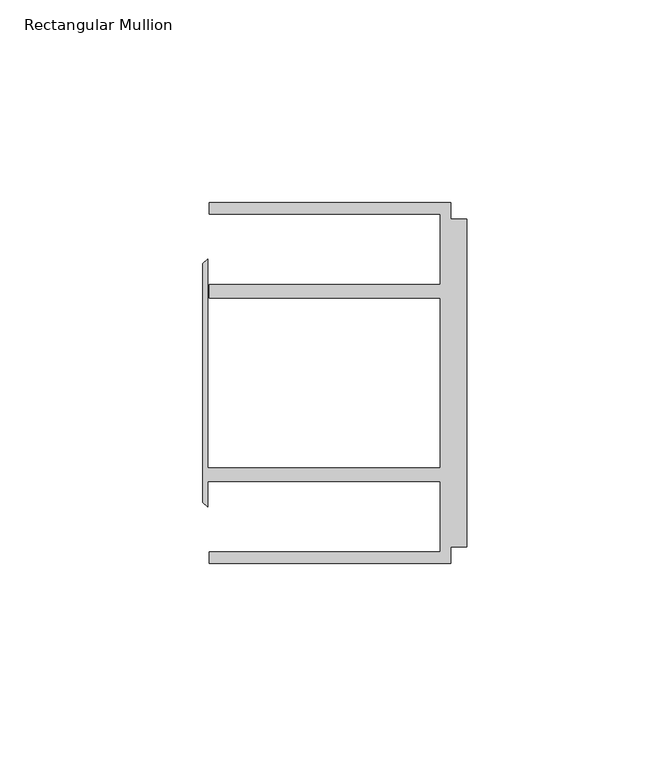
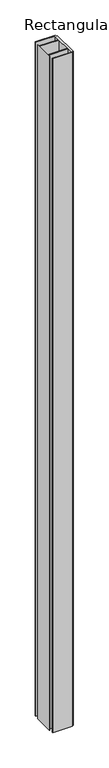
"""IFC4 building model written with IfcOpenShell, lengths in millimetres: member geometry, Rectangular Mullion."""

from ifc_helpers import new_model, si_unit, frame, origin, place, context, project, spatial, polyline, outline, extrude, source, transform, mapped, element, save


def rectangular_mullion_0b9354f4(model_context):
    return source(origin(), model_context, "Body", "SweptSolid", [
        extrude(outline(polyline([(-4.0000001, 44.45), (-4.0000001, 40.4500013), (0.0, 40.4500013), (0.0, -40.4500013), (-4.0000001, -40.4500013), (-4.0000001, -44.45), (-63.5, -44.45), (-63.5, -41.6500013), (-6.6000002, -41.6500013), (-6.6000002, -24.2500008), (-63.9424102, -24.2500008), (-63.9424102, -30.6159585), (-65.0875, -29.4708687), (-65.0875, 29.4708687), (-63.9424102, 30.6159585), (-63.9424102, -20.9500007), (-6.6000002, -20.9500007), (-6.6000002, 20.9500007), (-63.5, 20.9500007), (-63.5, 24.2500008), (-6.6000002, 24.2500008), (-6.6000002, 41.6500013), (-63.5, 41.6500013), (-63.5, 44.45), (-4.0000001, 44.45)])), frame((0.0, 0.0, -2133.6), z_axis=(0.0, 0.0, 1.0), x_axis=(1.0, 0.0, 0.0)), (0.0, 0.0, 1.0), 2133.6),
    ])


if __name__ == "__main__":
    model = new_model("IFC4")
    model_context = context("Model", 3, world=origin())
    ifc_project = project(units=[si_unit("LENGTHUNIT", "METRE", prefix="MILLI")], contexts=[model_context])
    site = spatial("IfcSite", under=ifc_project)
    building = spatial("IfcBuilding", under=site)
    placement = place(None, origin())
    rectangular_mullion_shape = rectangular_mullion_0b9354f4(model_context)
    element("IfcMember", 1, ObjectType="Rectangular Mullion", at=placement, inside=building, context=model_context, shape_type="MappedRepresentation", body=[
        mapped(rectangular_mullion_shape, transform((0.0, 0.0, 0.0), x_axis=(1.0, 0.0, 0.0), y_axis=(0.0, 1.0, 0.0), z_axis=(0.0, 0.0, 1.0))),
    ])
    save(model, "model.ifc")
